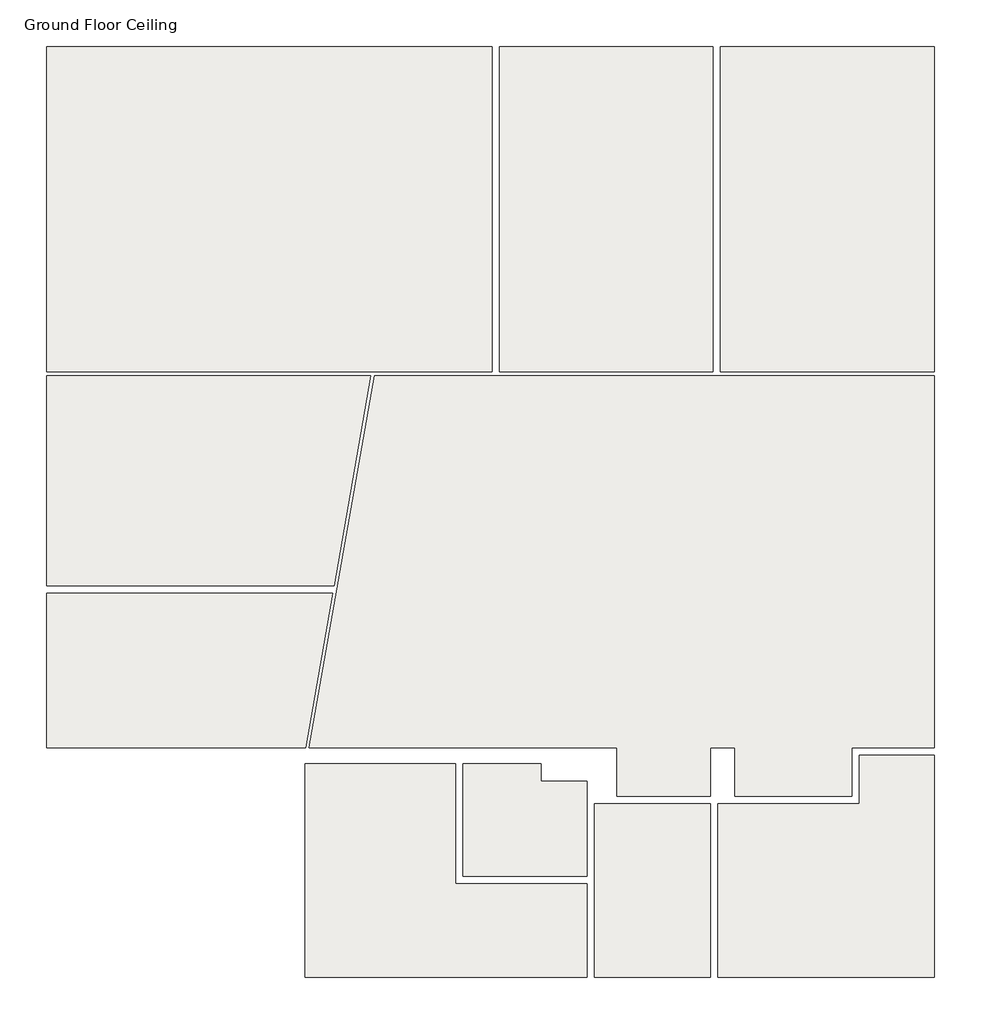
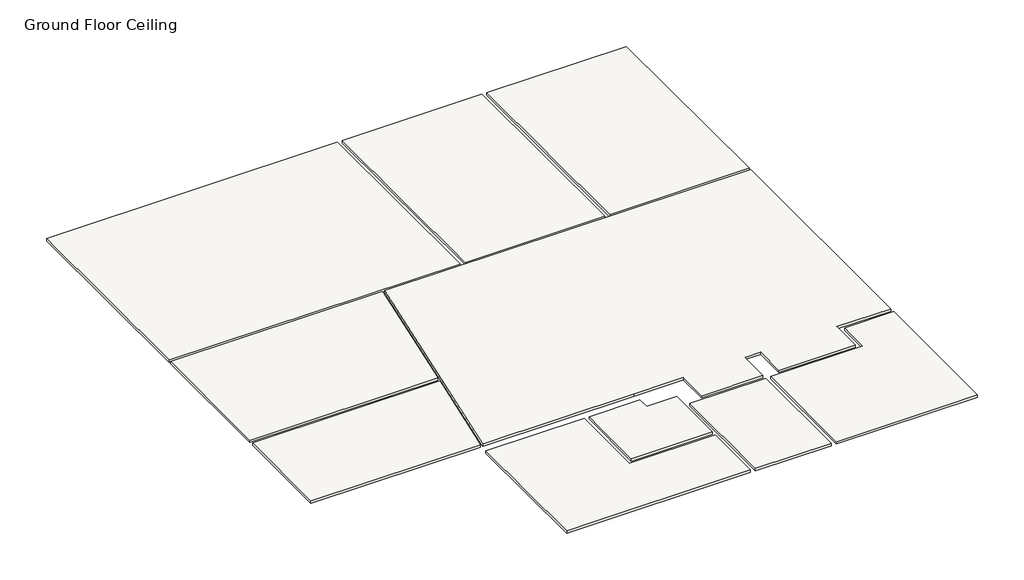
# One storey: 10 coverings.
"""IFC4 building model written with IfcOpenShell, lengths in millimetres."""

from ifc_helpers import new_model, si_unit, frame, origin, place, context, project, spatial, polyline, outline, extrude, element, save

model = new_model("IFC4")

# Units and contexts
model_context = context("Model", 3, world=origin())
ifc_project = project(units=[si_unit("LENGTHUNIT", "METRE", prefix="MILLI")], contexts=[model_context])

# Site, building, storey
site = spatial("IfcSite", under=ifc_project)
building = spatial("IfcBuilding", under=site)
storey = spatial("IfcBuildingStorey", under=building, Name="Ground Floor Ceiling", Elevation=2800.0)

# Coverings
placement = place(None, origin())
element("IfcCovering", 1, ObjectType="Concept - 600 x 600mm grid", at=placement, inside=storey, context=model_context, shape_type="SweptSolid", body=[
    extrude(outline(polyline([(624081.3039109, 70553.6636077), (624081.3039109, 74891.9148027), (630020.0539109, 74891.9148027), (630020.0539109, 70553.6636077), (624081.3039109, 70553.6636077)])), frame((0.0, 0.0, 2800.0), z_axis=(0.0, 0.0, 1.0), x_axis=(1.0, 0.0, 0.0)), (0.0, 0.0, 1.0), 52.0),
])
element("IfcCovering", 2, ObjectType="Concept - 600 x 600mm grid", at=placement, inside=storey, context=model_context, shape_type="SweptSolid", body=[
    extrude(outline(polyline([(630120.0539109, 70553.6636077), (630120.0539109, 74891.9148027), (632970.0539109, 74891.9148027), (632970.0539109, 70553.6636077), (630120.0539109, 70553.6636077)])), frame((0.0, 0.0, 2800.0), z_axis=(0.0, 0.0, 1.0), x_axis=(1.0, 0.0, 0.0)), (0.0, 0.0, 1.0), 52.0),
])
element("IfcCovering", 3, ObjectType="Concept - 600 x 600mm grid", at=placement, inside=storey, context=model_context, shape_type="SweptSolid", body=[
    extrude(outline(polyline([(635920.0539109, 74891.9148027), (635920.0539109, 70553.6636077), (633070.0539109, 70553.6636077), (633070.0539109, 74891.9148027), (635920.0539109, 74891.9148027)])), frame((0.0, 0.0, 2800.0), z_axis=(0.0, 0.0, 1.0), x_axis=(1.0, 0.0, 0.0)), (0.0, 0.0, 1.0), 52.0),
])
element("IfcCovering", 4, ObjectType="Concept - 600 x 600mm grid", at=placement, inside=storey, context=model_context, shape_type="SweptSolid", body=[
    extrude(outline(polyline([(628456.217147, 70503.6636077), (635920.0539109, 70503.6636077), (635920.0539109, 65546.9148027), (634820.0539109, 65546.9148027), (634820.0539109, 64896.9148027), (633261.3039109, 64896.9148027), (633261.3039109, 65546.9148027), (632936.3039109, 65546.9148027), (632936.3039109, 64896.9148027), (631686.3039109, 64896.9148027), (631686.3039109, 65546.9148027), (630676.3039109, 65546.9148027), (627586.2974051, 65546.9148027), (628456.217147, 70503.6636077)])), frame((0.0, 0.0, 2800.0), z_axis=(0.0, 0.0, 1.0), x_axis=(1.0, 0.0, 0.0)), (0.0, 0.0, 1.0), 52.0),
])
element("IfcCovering", 5, ObjectType="Concept - 600 x 600mm grid", at=placement, inside=storey, context=model_context, shape_type="SweptSolid", body=[
    extrude(outline(polyline([(627914.1167017, 67704.0600289), (624081.3039109, 67704.0600289), (624081.3039109, 70503.6636077), (628405.4529623, 70503.6636077), (627914.1167017, 67704.0600289)])), frame((0.0, 0.0, 2800.0), z_axis=(0.0, 0.0, 1.0), x_axis=(1.0, 0.0, 0.0)), (0.0, 0.0, 1.0), 52.0),
])
element("IfcCovering", 6, ObjectType="Concept - 600 x 600mm grid", at=placement, inside=storey, context=model_context, shape_type="SweptSolid", body=[
    extrude(outline(polyline([(627535.5332204, 65546.9148027), (624081.3039109, 65546.9148027), (624081.3039109, 67604.0600289), (627896.5664933, 67604.0600289), (627535.5332204, 65546.9148027)])), frame((0.0, 0.0, 2800.0), z_axis=(0.0, 0.0, 1.0), x_axis=(1.0, 0.0, 0.0)), (0.0, 0.0, 1.0), 52.0),
])
element("IfcCovering", 7, ObjectType="Concept - 600 x 600mm grid", at=placement, inside=storey, context=model_context, shape_type="SweptSolid", body=[
    extrude(outline(polyline([(629636.3039109, 63831.9148027), (629636.3039109, 65331.9148027), (630676.3039109, 65331.9148027), (630676.3039109, 65096.9148027), (631286.3039109, 65096.9148027), (631286.3039109, 64846.9148027), (631286.3039109, 63831.9148027), (629636.3039109, 63831.9148027)])), frame((0.0, 0.0, 2800.0), z_axis=(0.0, 0.0, 1.0), x_axis=(1.0, 0.0, 0.0)), (0.0, 0.0, 1.0), 52.0),
])
element("IfcCovering", 8, ObjectType="Concept - 600 x 600mm grid", at=placement, inside=storey, context=model_context, shape_type="SweptSolid", body=[
    extrude(outline(polyline([(632936.3039109, 62481.9148027), (631386.3039109, 62481.9148027), (631386.3039109, 64796.9148027), (632936.3039109, 64796.9148027), (632936.3039109, 62481.9148027)])), frame((0.0, 0.0, 2800.0), z_axis=(0.0, 0.0, 1.0), x_axis=(1.0, 0.0, 0.0)), (0.0, 0.0, 1.0), 52.0),
])
element("IfcCovering", 9, ObjectType="Concept - 600 x 600mm grid", at=placement, inside=storey, context=model_context, shape_type="SweptSolid", body=[
    extrude(outline(polyline([(635920.0539109, 62481.9148027), (633036.3039109, 62481.9148027), (633036.3039109, 64796.9148027), (634920.0539109, 64796.9148027), (634920.0539109, 65446.9148027), (635920.0539109, 65446.9148027), (635920.0539109, 62481.9148027)])), frame((0.0, 0.0, 2800.0), z_axis=(0.0, 0.0, 1.0), x_axis=(1.0, 0.0, 0.0)), (0.0, 0.0, 1.0), 52.0),
])
element("IfcCovering", 10, ObjectType="Concept - 600 x 600mm grid", at=placement, inside=storey, context=model_context, shape_type="SweptSolid", body=[
    extrude(outline(polyline([(631286.3039109, 63731.9148027), (631286.3039109, 62481.9148027), (627532.5539109, 62481.9148027), (627532.5539109, 65331.9148027), (629536.3039109, 65331.9148027), (629536.3039109, 63731.9148027), (631286.3039109, 63731.9148027)])), frame((0.0, 0.0, 2800.0), z_axis=(0.0, 0.0, 1.0), x_axis=(1.0, 0.0, 0.0)), (0.0, 0.0, 1.0), 52.0),
])

save(model, "model.ifc")
